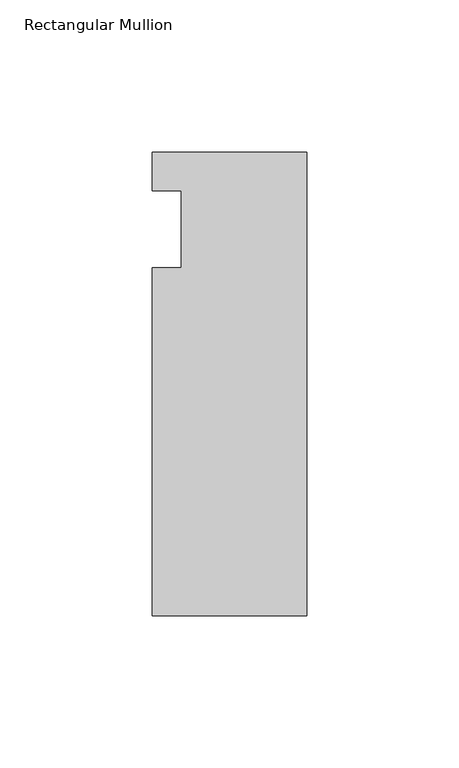
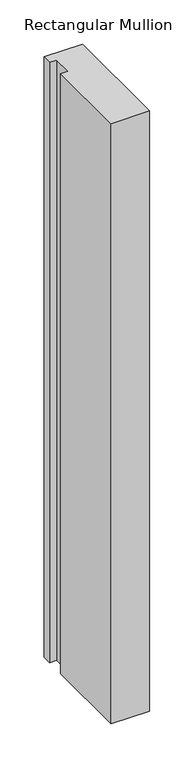
"""IFC4 building model written with IfcOpenShell, lengths in millimetres: member geometry, Rectangular Mullion."""

from ifc_helpers import new_model, si_unit, frame, origin, place, context, project, spatial, polyline, outline, extrude, source, transform, mapped, element, save


def rectangular_mullion_968860a5(model_context):
    return source(origin(), model_context, "Body", "SweptSolid", [
        extrude(outline(polyline([(-50.8, -139.7), (-50.8, -25.4), (-41.275, -25.4), (-41.275, 0.0), (-50.8, 0.0), (-50.8, 12.7), (0.0, 12.7), (0.0, -139.7), (-50.8, -139.7)])), frame((0.0, 0.0, -831.85), z_axis=(0.0, 0.0, 1.0), x_axis=(1.0, 0.0, 0.0)), (0.0, 0.0, 1.0), 831.85),
    ])


if __name__ == "__main__":
    model = new_model("IFC4")
    model_context = context("Model", 3, world=origin())
    ifc_project = project(units=[si_unit("LENGTHUNIT", "METRE", prefix="MILLI")], contexts=[model_context])
    site = spatial("IfcSite", under=ifc_project)
    building = spatial("IfcBuilding", under=site)
    placement = place(None, origin())
    rectangular_mullion_shape = rectangular_mullion_968860a5(model_context)
    element("IfcMember", 1, ObjectType="Rectangular Mullion", at=placement, inside=building, context=model_context, shape_type="MappedRepresentation", body=[
        mapped(rectangular_mullion_shape, transform((0.0, 0.0, 0.0), x_axis=(1.0, 0.0, 0.0), y_axis=(0.0, 1.0, 0.0), z_axis=(0.0, 0.0, 1.0))),
    ])
    save(model, "model.ifc")
